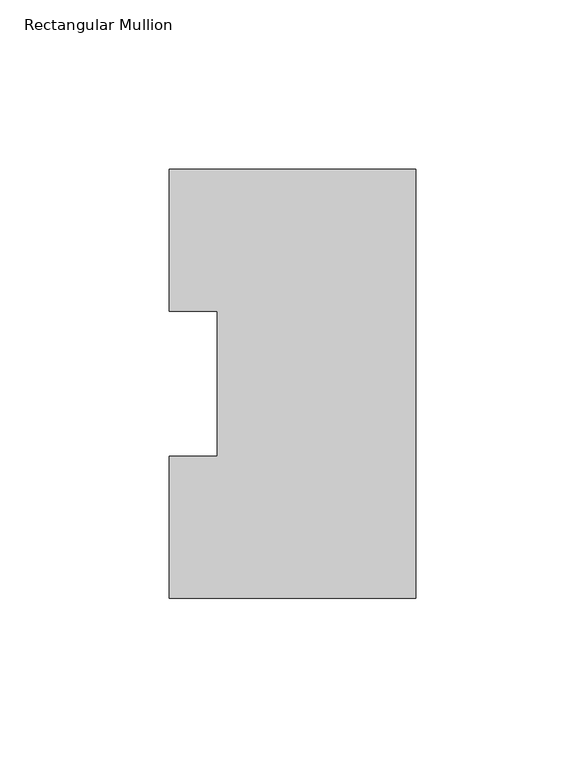
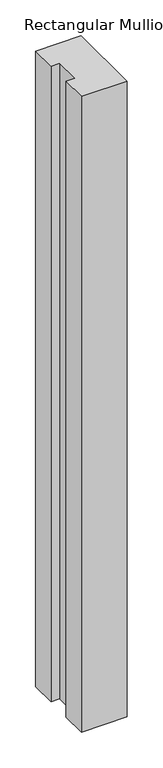
"""IFC4 building model written with IfcOpenShell, lengths in millimetres: member geometry, Rectangular Mullion."""

from ifc_helpers import new_model, si_unit, frame, origin, place, context, project, spatial, polyline, outline, extrude, source, transform, mapped, element, save


def rectangular_mullion_1b30fa40(model_context):
    return source(origin(), model_context, "Body", "SweptSolid", [
        extrude(outline(polyline([(0.0, 127.006348), (0.0, 0.0063465), (-73.025, 0.0063465), (-73.025, 42.0814491), (-58.7375, 42.0814491), (-58.7375, 84.93125), (-73.025, 84.93125), (-73.025, 127.006348), (0.0, 127.006348)])), frame((0.0, 0.0, -1079.50635), z_axis=(0.0, 0.0, 1.0), x_axis=(1.0, 0.0, 0.0)), (0.0, 0.0, 1.0), 1079.50635),
    ])


if __name__ == "__main__":
    model = new_model("IFC4")
    model_context = context("Model", 3, world=origin())
    ifc_project = project(units=[si_unit("LENGTHUNIT", "METRE", prefix="MILLI")], contexts=[model_context])
    site = spatial("IfcSite", under=ifc_project)
    building = spatial("IfcBuilding", under=site)
    placement = place(None, origin())
    rectangular_mullion_shape = rectangular_mullion_1b30fa40(model_context)
    element("IfcMember", 1, ObjectType="Rectangular Mullion", at=placement, inside=building, context=model_context, shape_type="MappedRepresentation", body=[
        mapped(rectangular_mullion_shape, transform((0.0, 0.0, 0.0), x_axis=(1.0, 0.0, 0.0), y_axis=(0.0, 1.0, 0.0), z_axis=(0.0, 0.0, 1.0))),
    ])
    save(model, "model.ifc")
